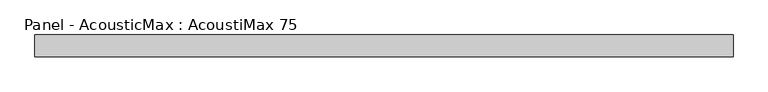
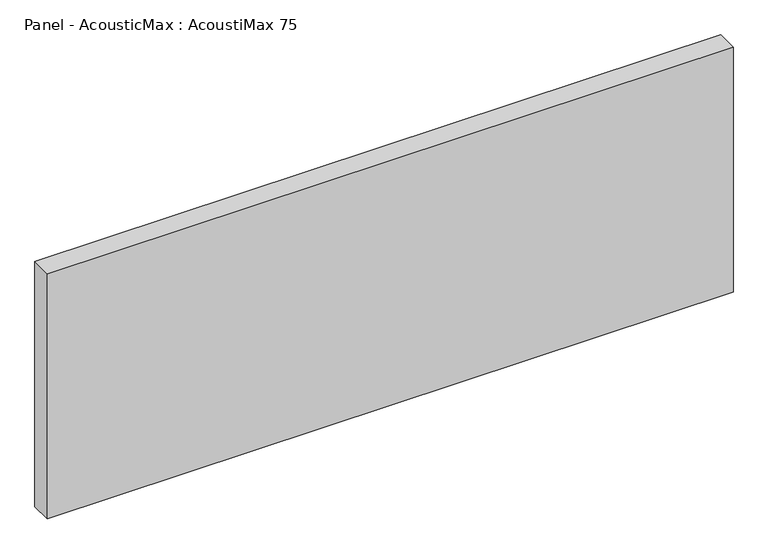
"""IFC4 building model written with IfcOpenShell, lengths in millimetres: plate geometry, Panel - AcousticMax : AcoustiMax 75."""

from ifc_helpers import new_model, si_unit, origin, origin_with_axes, place, context, project, spatial, polyline, outline, extrude, source, transform, mapped, element, save


def panel_acousticmax_acoustimax_75_f371da9c(model_context):
    return source(origin(), model_context, "Body", "SweptSolid", [
        extrude(outline(polyline([(1191.0, -37.5), (-1190.5, -37.5), (-1190.5, 37.5), (1191.0, 37.5), (1191.0, -37.5)])), origin_with_axes(), (0.0, 0.0, 1.0), 900.0),
    ])


if __name__ == "__main__":
    model = new_model("IFC4")
    model_context = context("Model", 3, world=origin())
    ifc_project = project(units=[si_unit("LENGTHUNIT", "METRE", prefix="MILLI")], contexts=[model_context])
    site = spatial("IfcSite", under=ifc_project)
    building = spatial("IfcBuilding", under=site)
    placement = place(None, origin())
    panel_acousticmax_acoustimax_75_shape = panel_acousticmax_acoustimax_75_f371da9c(model_context)
    element("IfcPlate", 1, ObjectType="Panel - AcousticMax : AcoustiMax 75", at=placement, inside=building, context=model_context, shape_type="MappedRepresentation", body=[
        mapped(panel_acousticmax_acoustimax_75_shape, transform((0.0, 0.0, 0.0), x_axis=(1.0, 0.0, 0.0), y_axis=(0.0, 1.0, 0.0), z_axis=(0.0, 0.0, 1.0))),
    ])
    save(model, "model.ifc")
